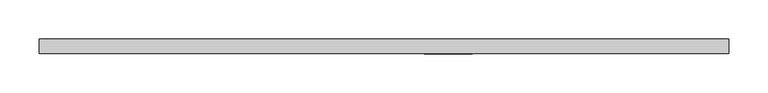
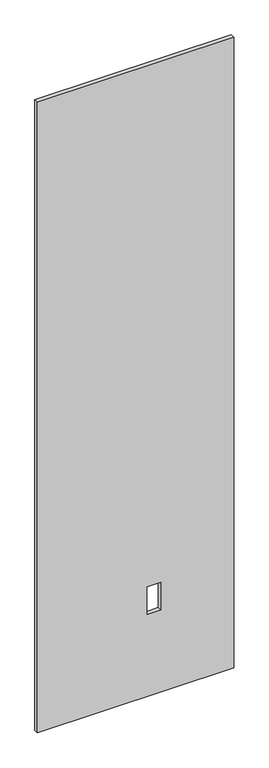
"""IFC4 building model written with IfcOpenShell, lengths in millimetres: proxy geometry."""

import ifcopenshell
import ifcopenshell.guid

model = None  # the IFC model being written
_history = None  # IfcOwnerHistory: only IFC2X3 demands one
_inside = {}  # id of a spatial element -> (the spatial element, [elements in it])
_under = {}  # id of a project, library or spatial element -> (it, [spatial elements below it])
_declared = {}  # id of a project -> (the project, [libraries it declares])
_typed = {}  # id of a type object -> (the type object, [elements of that type])
_made_of = {}  # id of a material, layer set ... -> (it, [elements and type objects made of it])


def new_model(schema):
    """Start an empty IFC model of exactly this schema.

    Asked for "IFC4X3", IfcOpenShell would pick the latest addendum, in which some entities
    have other attributes; the version numbers below select the first issue.
    IFC2X3 requires an IfcOwnerHistory on every rooted entity: one is made here for all.
    """
    global model, _history
    if schema == "IFC4X3":
        model = ifcopenshell.file(schema_version=(4, 3, 0, 0))
    else:
        model = ifcopenshell.file(schema=schema)
    _inside.clear()
    _under.clear()
    _declared.clear()
    _typed.clear()
    _made_of.clear()
    _history = None
    if model.schema == "IFC2X3":
        org = make("IfcOrganization", Name="unknown")
        user = make(
            "IfcPersonAndOrganization",
            ThePerson=make("IfcPerson", FamilyName="unknown"),
            TheOrganization=org,
        )
        app = make(
            "IfcApplication",
            ApplicationDeveloper=org,
            Version="unknown",
            ApplicationFullName="unknown",
            ApplicationIdentifier="unknown",
        )
        _history = make(
            "IfcOwnerHistory",
            OwningUser=user,
            OwningApplication=app,
            ChangeAction="ADDED",
            CreationDate=0,
        )
    return model


def make(cls, **values):
    """One entity of the class cls with the attributes given. An attribute that is None is left unset."""
    return model.create_entity(
        cls, **{name: value for name, value in values.items() if value is not None}
    )


def rooted(cls, **values):
    """An entity with a GlobalId (a new one), such as an element, a storey or a relation."""
    return make(cls, GlobalId=ifcopenshell.guid.new(), OwnerHistory=_history, **values)


def si_unit(unit_type, name, prefix=None):
    """IfcSIUnit, for example si_unit("LENGTHUNIT", "METRE", prefix="MILLI")."""
    return make("IfcSIUnit", UnitType=unit_type, Prefix=prefix, Name=name)


def assignment(units):
    """IfcUnitAssignment: the units of a project."""
    return None if units is None else make("IfcUnitAssignment", Units=units)


def point(xyz):
    """IfcCartesianPoint."""
    return None if xyz is None else make("IfcCartesianPoint", Coordinates=xyz)


def direction(xyz):
    """IfcDirection."""
    return None if xyz is None else make("IfcDirection", DirectionRatios=xyz)


def frame(location, z_axis=None, x_axis=None):
    """IfcAxis2Placement3D, a coordinate frame: its origin and axes. An axis left out is left unset."""
    return make(
        "IfcAxis2Placement3D",
        Location=point(location),
        Axis=direction(z_axis),
        RefDirection=direction(x_axis),
    )


def origin():
    """The frame at (0, 0, 0) with its axes left unset."""
    return frame((0.0, 0.0, 0.0))


def place(relative_to, where):
    """IfcLocalPlacement: puts the frame where relative to a parent placement (None: the world)."""
    return make(
        "IfcLocalPlacement", PlacementRelTo=relative_to, RelativePlacement=where
    )


def context(
    kind, dimensions, precision=None, world=None, true_north=None, identifier=None
):
    """IfcGeometricRepresentationContext, for example the 3D "Model" context."""
    return make(
        "IfcGeometricRepresentationContext",
        ContextIdentifier=identifier,
        ContextType=kind,
        CoordinateSpaceDimension=dimensions,
        Precision=precision,
        WorldCoordinateSystem=world,
        TrueNorth=true_north,
    )


def project(units=None, contexts=None):
    """IfcProject with its units and contexts."""
    return rooted(
        "IfcProject",
        Name="project",
        RepresentationContexts=contexts,
        UnitsInContext=assignment(units),
    )


def spatial(cls, under=None, at=None, **own):
    """A site, building, storey or space (cls), placed at a placement, below another one or the project."""
    s = rooted(cls, ObjectPlacement=at, **own)
    if under is not None:
        _under.setdefault(under.id(), (under, []))[1].append(s)
    return s


def polyline(points):
    """IfcPolyline through the points."""
    return make("IfcPolyline", Points=[point(p) for p in points])


def outline(outer, holes=None, kind="AREA"):
    """IfcArbitraryClosedProfileDef: a profile drawn as a closed curve; with holes, ...WithVoids."""
    if holes is None:
        return make("IfcArbitraryClosedProfileDef", ProfileType=kind, OuterCurve=outer)
    return make(
        "IfcArbitraryProfileDefWithVoids",
        ProfileType=kind,
        OuterCurve=outer,
        InnerCurves=holes,
    )


def extrude(swept, where, along, depth):
    """IfcExtrudedAreaSolid: the profile swept, set in the frame where, extruded along a direction by depth."""
    return make(
        "IfcExtrudedAreaSolid",
        SweptArea=swept,
        Position=where,
        ExtrudedDirection=direction(along),
        Depth=depth,
    )


def shape(context_of_items, identifier, shape_type, items):
    """IfcShapeRepresentation: the items that make up one representation, for example the "Body"."""
    return make(
        "IfcShapeRepresentation",
        ContextOfItems=context_of_items,
        RepresentationIdentifier=identifier,
        RepresentationType=shape_type,
        Items=items,
    )


def source(mapping_origin, context_of_items, identifier, shape_type, items):
    """IfcRepresentationMap: a shape defined once, which mapped items show again and again."""
    return make(
        "IfcRepresentationMap",
        MappingOrigin=mapping_origin,
        MappedRepresentation=shape(context_of_items, identifier, shape_type, items),
    )


def transform(
    local_origin,
    x_axis=None,
    y_axis=None,
    z_axis=None,
    scale=None,
    scale2=None,
    scale3=None,
    uniform=True,
):
    """IfcCartesianTransformationOperator3D, or its non-uniform kind. x_axis, y_axis, z_axis: its Axis1, 2, 3."""
    if uniform:
        return make(
            "IfcCartesianTransformationOperator3D",
            Axis1=direction(x_axis),
            Axis2=direction(y_axis),
            LocalOrigin=point(local_origin),
            Scale=scale,
            Axis3=direction(z_axis),
        )
    return make(
        "IfcCartesianTransformationOperator3DnonUniform",
        Axis1=direction(x_axis),
        Axis2=direction(y_axis),
        LocalOrigin=point(local_origin),
        Scale=scale,
        Axis3=direction(z_axis),
        Scale2=scale2,
        Scale3=scale3,
    )


def mapped(mapping_source, mapping_target):
    """IfcMappedItem: shows the shape of a source again, moved by a transform."""
    return make(
        "IfcMappedItem", MappingSource=mapping_source, MappingTarget=mapping_target
    )


def made_of(thing, what):
    """Note that an element or type object is made of a material, layer set ...; save() writes the relation."""
    if what is not None:
        _made_of.setdefault(what.id(), (what, []))[1].append(thing)
    return thing


def element(
    cls,
    number,
    at=None,
    inside=None,
    cuts=None,
    type_object=None,
    material=None,
    context=None,
    identifier="Body",
    shape_type=None,
    held_by="IfcProductDefinitionShape",
    body=None,
    shapes=None,
    **own,
):
    """One element of the class cls, such as IfcWall. Its Tag is "e" and its number.

    at: its placement. inside: the storey or other place that contains it. cuts: it is an
    opening in that element (IfcRelVoidsElement). A single representation is given by context,
    identifier, shape_type and body (its items); several are given by shapes. held_by: the class
    of the entity that holds the representations. save() writes the other relations.
    """
    e = rooted(cls, Tag="e%d" % number, ObjectPlacement=at, **own)
    if body is not None:
        shapes = [shape(context, identifier, shape_type, body)]
    if shapes is not None:
        e.Representation = make(held_by, Representations=shapes)
    if inside is not None:
        _inside.setdefault(inside.id(), (inside, []))[1].append(e)
    if cuts is not None:
        rooted(
            "IfcRelVoidsElement", RelatingBuildingElement=cuts, RelatedOpeningElement=e
        )
    if type_object is not None:
        _typed.setdefault(type_object.id(), (type_object, []))[1].append(e)
    return made_of(e, material)


def aggregate(whole, parts):
    """IfcRelAggregates: a whole, such as a stair, and the parts it consists of."""
    return rooted("IfcRelAggregates", RelatingObject=whole, RelatedObjects=parts)


def save(model, path):
    """Write the relations noted so far, then the file.

    IfcRelAggregates (storeys below a building ...), IfcRelContainedInSpatialStructure (elements
    in a storey), IfcRelDefinesByType, IfcRelAssociatesMaterial and IfcRelDeclares: one each for
    every whole, place, type object, material and project.
    """
    for whole, parts in _under.values():
        aggregate(whole, parts)
    for where, things in _inside.values():
        rooted(
            "IfcRelContainedInSpatialStructure",
            RelatedElements=things,
            RelatingStructure=where,
        )
    for kind, things in _typed.values():
        rooted("IfcRelDefinesByType", RelatedObjects=things, RelatingType=kind)
    for what, things in _made_of.values():
        rooted("IfcRelAssociatesMaterial", RelatedObjects=things, RelatingMaterial=what)
    for by, libraries in _declared.values():
        rooted("IfcRelDeclares", RelatingContext=by, RelatedDefinitions=libraries)
    model.write(path)


def specialty_equipment_3760e116(model_context):
    return source(origin(), model_context, "Body", "SweptSolid", [
        extrude(outline(polyline([(2999.5368001, 441.5715701), (2999.5368001, -441.5715701), (3.175, -441.5715701), (3.175, 441.5715701), (2999.5368001, 441.5715701)]), holes=[polyline([(522.478, 112.8268), (391.922, 112.8268), (391.922, 51.3588), (522.478, 51.3588), (522.478, 112.8268)])]), frame((0.0, -9.525, 0.0), z_axis=(0.0, 1.0, 0.0), x_axis=(0.0, 0.0, 1.0)), (0.0, 0.0, 1.0), 19.05),
    ])


if __name__ == "__main__":
    model = new_model("IFC4")
    model_context = context("Model", 3, world=origin())
    ifc_project = project(units=[si_unit("LENGTHUNIT", "METRE", prefix="MILLI")], contexts=[model_context])
    site = spatial("IfcSite", under=ifc_project)
    building = spatial("IfcBuilding", under=site)
    placement = place(None, origin())
    specialty_equipment_shape = specialty_equipment_3760e116(model_context)
    element("IfcBuildingElementProxy", 1, Name="Specialty Equipment", at=placement, inside=building, context=model_context, shape_type="MappedRepresentation", body=[
        mapped(specialty_equipment_shape, transform((0.0, 0.0, 0.0), x_axis=(1.0, 0.0, 0.0), y_axis=(0.0, 1.0, 0.0), z_axis=(0.0, 0.0, 1.0))),
    ])
    save(model, "model.ifc")
